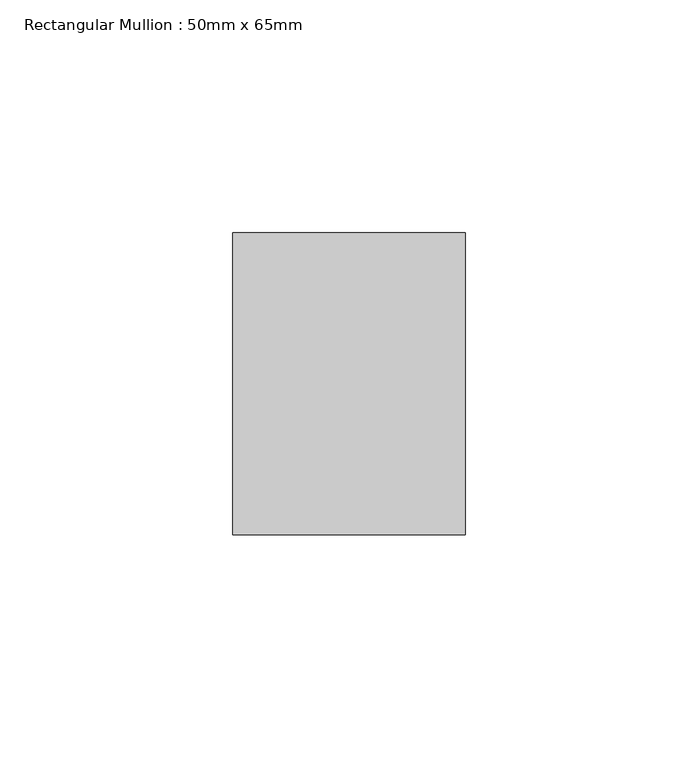
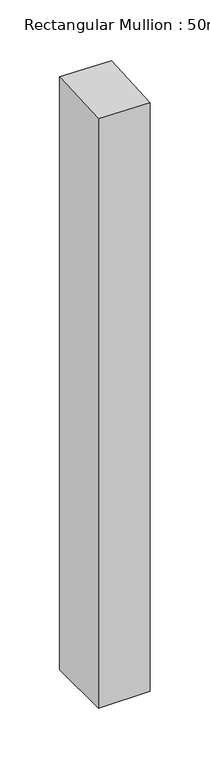
"""IFC4 building model written with IfcOpenShell, lengths in millimetres: member geometry, Rectangular Mullion : 50mm x 65mm."""

from ifc_helpers import new_model, si_unit, origin, place, context, project, spatial, faceted_brep, source, transform, mapped, element, save


def rectangular_mullion_50mm_x_65mm_75085db6(model_context):
    return source(origin(), model_context, "Body", "Brep", [
        faceted_brep([(25.0, 32.5, -603.0915373), (25.0, -32.5, -603.0915373), (-25.0, -32.5, -603.0915373), (-25.0, 32.5, -603.0915373), (-25.0, 32.5, 2.1822732), (25.0, 32.5, 1.0865148), (-25.0, -32.5, -1.0865148), (25.0, -32.5, -2.1822732)], [[[0, 1, 2, 3]], [[4, 5, 0, 3]], [[6, 4, 3, 2]], [[7, 6, 2, 1]], [[5, 7, 1, 0]], [[5, 4, 6, 7]]]),
    ])


if __name__ == "__main__":
    model = new_model("IFC4")
    model_context = context("Model", 3, world=origin())
    ifc_project = project(units=[si_unit("LENGTHUNIT", "METRE", prefix="MILLI")], contexts=[model_context])
    site = spatial("IfcSite", under=ifc_project)
    building = spatial("IfcBuilding", under=site)
    placement = place(None, origin())
    rectangular_mullion_50mm_x_65mm_shape = rectangular_mullion_50mm_x_65mm_75085db6(model_context)
    element("IfcMember", 1, ObjectType="Rectangular Mullion : 50mm x 65mm", at=placement, inside=building, context=model_context, shape_type="MappedRepresentation", body=[
        mapped(rectangular_mullion_50mm_x_65mm_shape, transform((0.0, 0.0, 0.0), x_axis=(1.0, 0.0, 0.0), y_axis=(0.0, 1.0, 0.0), z_axis=(0.0, 0.0, 1.0))),
    ])
    save(model, "model.ifc")
